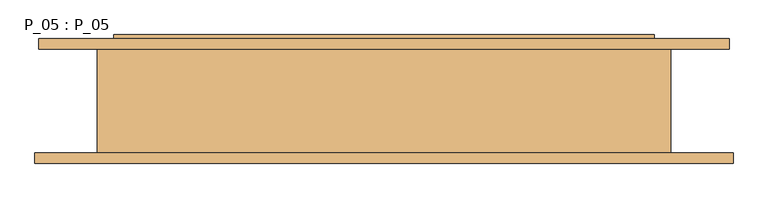
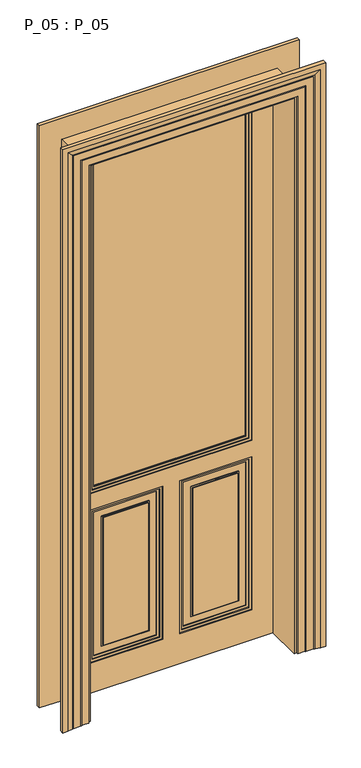
"""IFC4 building model written with IfcOpenShell, lengths in millimetres: door geometry, P_05 : P_05."""

from ifc_helpers import new_model, si_unit, frame, origin, place, context, project, spatial, polyline, outline, extrude, faceted_brep, source, transform, mapped, element, save


def p_05_p_05_a532a8a0(model_context):
    return source(origin(), model_context, "Body", "SolidModel", [
        extrude(outline(polyline([(2310.0, 330.0), (2310.0, -330.0), (860.0, -330.0), (860.0, 330.0), (2310.0, 330.0)]), holes=[polyline([(2300.0, 320.0), (870.0, 320.0), (870.0, -320.0), (2300.0, -320.0), (2300.0, 320.0)])]), frame((0.0, 72.0, 0.0), z_axis=(0.0, 1.0, 0.0), x_axis=(0.0, 0.0, 1.0)), (0.0, 0.0, 1.0), 8.0),
        extrude(outline(polyline([(790.0, -330.0), (130.0, -330.0), (130.0, -35.0), (790.0, -35.0), (790.0, -330.0)]), holes=[polyline([(780.0, -320.0), (780.0, -45.0), (140.0, -45.0), (140.0, -320.0), (780.0, -320.0)])]), frame((0.0, 72.0, 0.0), z_axis=(0.0, 1.0, 0.0), x_axis=(0.0, 0.0, 1.0)), (0.0, 0.0, 1.0), 8.0),
        extrude(outline(polyline([(130.0, 330.0), (790.0, 330.0), (790.0, 35.0), (130.0, 35.0), (130.0, 330.0)]), holes=[polyline([(780.0, 45.0), (780.0, 320.0), (140.0, 320.0), (140.0, 45.0), (780.0, 45.0)])]), frame((0.0, 72.0, 0.0), z_axis=(0.0, 1.0, 0.0), x_axis=(0.0, 0.0, 1.0)), (0.0, 0.0, 1.0), 8.0),
        extrude(outline(polyline([(0.0, 415.0), (2395.0, 415.0), (2395.0, -415.0), (0.0, -415.0), (0.0, 415.0)]), holes=[polyline([(790.0, -35.0), (130.0, -35.0), (130.0, -330.0), (790.0, -330.0), (790.0, -35.0)]), polyline([(130.0, 35.0), (790.0, 35.0), (790.0, 330.0), (130.0, 330.0), (130.0, 35.0)]), polyline([(860.0, 330.0), (860.0, -330.0), (2310.0, -330.0), (2310.0, 330.0), (860.0, 330.0)])]), frame((0.0, 68.0, 0.0), z_axis=(0.0, 1.0, 0.0), x_axis=(0.0, 0.0, 1.0)), (0.0, 0.0, 1.0), 12.0),
        extrude(outline(polyline([(860.0, 330.0), (2310.0, 330.0), (2310.0, -330.0), (860.0, -330.0), (860.0, 330.0)]), holes=[polyline([(2300.0, -320.0), (2300.0, 320.0), (870.0, 320.0), (870.0, -320.0), (2300.0, -320.0)])]), frame((0.0, 90.0, 0.0), z_axis=(0.0, 1.0, 0.0), x_axis=(0.0, 0.0, 1.0)), (0.0, 0.0, 1.0), 8.0),
        extrude(outline(polyline([(790.0, -330.0), (130.0, -330.0), (130.0, -35.0), (790.0, -35.0), (790.0, -330.0)]), holes=[polyline([(780.0, -320.0), (780.0, -45.0), (140.0, -45.0), (140.0, -320.0), (780.0, -320.0)])]), frame((0.0, 90.0, 0.0), z_axis=(0.0, 1.0, 0.0), x_axis=(0.0, 0.0, 1.0)), (0.0, 0.0, 1.0), 8.0),
        extrude(outline(polyline([(130.0, 330.0), (790.0, 330.0), (790.0, 35.0), (130.0, 35.0), (130.0, 330.0)]), holes=[polyline([(780.0, 45.0), (780.0, 320.0), (140.0, 320.0), (140.0, 45.0), (780.0, 45.0)])]), frame((0.0, 90.0, 0.0), z_axis=(0.0, 1.0, 0.0), x_axis=(0.0, 0.0, 1.0)), (0.0, 0.0, 1.0), 8.0),
        faceted_brep([(-35.0, 102.0, 790.0), (-35.0, 102.0, 130.0), (-35.0, 90.0, 130.0), (-35.0, 90.0, 790.0), (-330.0, 102.0, 130.0), (-330.0, 90.0, 130.0), (-330.0, 102.0, 790.0), (-330.0, 90.0, 790.0), (35.0, 102.0, 130.0), (35.0, 102.0, 790.0), (35.0, 90.0, 790.0), (35.0, 90.0, 130.0), (330.0, 102.0, 790.0), (330.0, 90.0, 790.0), (330.0, 102.0, 130.0), (330.0, 90.0, 130.0), (330.0, 102.0, 860.0), (-330.0, 102.0, 860.0), (-330.0, 90.0, 860.0), (330.0, 90.0, 860.0), (-330.0, 102.0, 2310.0), (-330.0, 90.0, 2310.0), (330.0, 102.0, 2310.0), (330.0, 90.0, 2310.0), (420.0, 80.0, 0.0), (420.0, 95.0, 0.0), (420.0, 95.0, 2400.0), (420.0, 80.0, 2400.0), (-420.0, 80.0, 2400.0), (-420.0, 95.0, 2400.0), (-420.0, 95.0, 0.0), (-420.0, 80.0, 0.0), (-415.0, 102.0, 0.0), (415.0, 102.0, 0.0), (415.0, 95.0, 0.0), (-415.0, 95.0, 0.0), (-415.0, 102.0, 2395.0), (415.0, 102.0, 2395.0), (-415.0, 95.0, 2395.0), (415.0, 95.0, 2395.0), (310.0, 80.0, 2290.0), (310.0, 80.0, 880.0), (-310.0, 80.0, 880.0), (-310.0, 80.0, 2290.0), (310.0, 90.0, 2290.0), (310.0, 90.0, 880.0), (-310.0, 90.0, 880.0), (-310.0, 90.0, 2290.0)], [[[0, 1, 2, 3]], [[1, 4, 5, 2]], [[4, 6, 7, 5]], [[6, 0, 3, 7]], [[8, 9, 10, 11]], [[9, 12, 13, 10]], [[12, 14, 15, 13]], [[14, 8, 11, 15]], [[16, 17, 18, 19]], [[17, 20, 21, 18]], [[22, 16, 19, 23]], [[24, 25, 26, 27]], [[28, 29, 30, 31]], [[32, 33, 34, 25, 24, 31, 30, 35]], [[33, 32, 36, 37], [0, 6, 4, 1], [8, 14, 12, 9], [16, 22, 20, 17]], [[36, 32, 35, 38]], [[33, 37, 39, 34]], [[25, 34, 39, 38, 35, 30, 29, 26]], [[20, 22, 23, 21]], [[27, 26, 29, 28]], [[37, 36, 38, 39]], [[28, 31, 24, 27], [40, 41, 42, 43]], [[41, 40, 44, 45]], [[42, 41, 45, 46]], [[43, 42, 46, 47]], [[7, 3, 2, 5]], [[11, 10, 13, 15]], [[19, 18, 21, 23], [44, 47, 46, 45]], [[40, 43, 47, 44]]]),
        faceted_brep([(530.0, 80.0, 0.0), (440.0, 80.0, 0.0), (440.0, -80.0, 0.0), (536.0, -80.0, 0.0), (536.0, -96.0, 0.0), (516.0, -96.0, 0.0), (496.0, -92.0291126, 0.0), (496.0, -91.0291126, 0.0), (491.0, -91.0291126, 0.0), (491.0, -90.0291126, 0.0), (461.0, -90.0291126, 0.0), (461.0, -89.0291126, 0.0), (456.0, -89.0291126, 0.0), (456.0, -88.0291126, 0.0), (426.0, -88.0291126, 0.0), (426.0, -80.0, 0.0), (416.0, -80.0, 0.0), (416.0, 80.0, 0.0), (426.0, 80.0, 0.0), (426.0, 88.0291126, 0.0), (456.0, 88.0291126, 0.0), (456.0, 89.0291126, 0.0), (461.0, 89.0291126, 0.0), (461.0, 90.0291126, 0.0), (485.0, 90.0291126, 0.0), (485.0, 91.0291126, 0.0), (490.0, 91.0291126, 0.0), (490.0, 92.0291126, 0.0), (510.0, 96.0, 0.0), (530.0, 96.0, 0.0), (530.0, 80.0, 2510.0), (-530.0, 80.0, 2510.0), (-530.0, 80.0, 0.0), (-440.0, 80.0, 0.0), (-440.0, 80.0, 2420.0), (440.0, 80.0, 2420.0), (440.0, -80.0, 2420.0), (-440.0, -80.0, 2420.0), (-440.0, -80.0, 0.0), (-536.0, -80.0, 0.0), (-536.0, -80.0, 2516.0), (536.0, -80.0, 2516.0), (536.0, -96.0, 2516.0), (-536.0, -96.0, 2516.0), (-536.0, -96.0, 0.0), (-516.0, -96.0, 0.0), (-516.0, -96.0, 2496.0), (516.0, -96.0, 2496.0), (496.0, -92.0291126, 2476.0), (496.0, -91.0291126, 2476.0), (-496.0, -91.0291126, 2476.0), (-496.0, -91.0291126, 0.0), (-491.0, -91.0291126, 0.0), (-491.0, -91.0291126, 2471.0), (491.0, -91.0291126, 2471.0), (491.0, -90.0291126, 2471.0), (-491.0, -90.0291126, 2471.0), (-491.0, -90.0291126, 0.0), (-461.0, -90.0291126, 0.0), (-461.0, -90.0291126, 2441.0), (461.0, -90.0291126, 2441.0), (461.0, -89.0291126, 2441.0), (-461.0, -89.0291126, 2441.0), (-461.0, -89.0291126, 0.0), (-456.0, -89.0291126, 0.0), (-456.0, -89.0291126, 2436.0), (456.0, -89.0291126, 2436.0), (456.0, -88.0291126, 2436.0), (-456.0, -88.0291126, 2436.0), (-456.0, -88.0291126, 0.0), (-426.0, -88.0291126, 0.0), (-426.0, -88.0291126, 2406.0), (426.0, -88.0291126, 2406.0), (426.0, -80.0, 2406.0), (-426.0, -80.0, 2406.0), (-426.0, -80.0, 0.0), (-416.0, -80.0, 0.0), (-416.0, -80.0, 2396.0), (416.0, -80.0, 2396.0), (416.0, 80.0, 2396.0), (-416.0, 80.0, 2396.0), (-416.0, 80.0, 0.0), (-426.0, 80.0, 0.0), (-426.0, 80.0, 2406.0), (426.0, 80.0, 2406.0), (426.0, 88.0291126, 2406.0), (-426.0, 88.0291126, 2406.0), (-426.0, 88.0291126, 0.0), (-456.0, 88.0291126, 0.0), (-456.0, 88.0291126, 2436.0), (456.0, 88.0291126, 2436.0), (456.0, 89.0291126, 2436.0), (-456.0, 89.0291126, 2436.0), (-456.0, 89.0291126, 0.0), (-461.0, 89.0291126, 0.0), (-461.0, 89.0291126, 2441.0), (461.0, 89.0291126, 2441.0), (461.0, 90.0291126, 2441.0), (-461.0, 90.0291126, 2441.0), (-461.0, 90.0291126, 0.0), (-485.0, 90.0291126, 0.0), (-485.0, 90.0291126, 2465.0), (485.0, 90.0291126, 2465.0), (485.0, 91.0291126, 2465.0), (-485.0, 91.0291126, 2465.0), (-485.0, 91.0291126, 0.0), (-490.0, 91.0291126, 0.0), (-490.0, 91.0291126, 2470.0), (490.0, 91.0291126, 2470.0), (490.0, 92.0291126, 2470.0), (510.0, 96.0, 2490.0), (-510.0, 96.0, 2490.0), (-510.0, 96.0, 0.0), (-530.0, 96.0, 0.0), (-530.0, 96.0, 2510.0), (530.0, 96.0, 2510.0), (-490.0, 92.0291126, 0.0), (-496.0, -92.0291126, 0.0), (-490.0, 92.0291126, 2470.0), (-496.0, -92.0291126, 2476.0)], [[[0, 1, 2, 3, 4, 5, 6, 7, 8, 9, 10, 11, 12, 13, 14, 15, 16, 17, 18, 19, 20, 21, 22, 23, 24, 25, 26, 27, 28, 29]], [[1, 0, 30, 31, 32, 33, 34, 35]], [[2, 1, 35, 36]], [[3, 2, 36, 37, 38, 39, 40, 41]], [[4, 3, 41, 42]], [[5, 4, 42, 43, 44, 45, 46, 47]], [[6, 5, 47, 48]], [[7, 6, 48, 49]], [[8, 7, 49, 50, 51, 52, 53, 54]], [[9, 8, 54, 55]], [[10, 9, 55, 56, 57, 58, 59, 60]], [[11, 10, 60, 61]], [[12, 11, 61, 62, 63, 64, 65, 66]], [[13, 12, 66, 67]], [[14, 13, 67, 68, 69, 70, 71, 72]], [[15, 14, 72, 73]], [[16, 15, 73, 74, 75, 76, 77, 78]], [[17, 16, 78, 79]], [[18, 17, 79, 80, 81, 82, 83, 84]], [[19, 18, 84, 85]], [[20, 19, 85, 86, 87, 88, 89, 90]], [[21, 20, 90, 91]], [[22, 21, 91, 92, 93, 94, 95, 96]], [[23, 22, 96, 97]], [[24, 23, 97, 98, 99, 100, 101, 102]], [[25, 24, 102, 103]], [[26, 25, 103, 104, 105, 106, 107, 108]], [[27, 26, 108, 109]], [[28, 27, 109, 110]], [[29, 28, 110, 111, 112, 113, 114, 115]], [[0, 29, 115, 30]], [[31, 114, 113, 32]], [[32, 113, 112, 116, 106, 105, 100, 99, 94, 93, 88, 87, 82, 81, 76, 75, 70, 69, 64, 63, 58, 57, 52, 51, 117, 45, 44, 39, 38, 33]], [[37, 34, 33, 38]], [[74, 71, 70, 75]], [[80, 77, 76, 81]], [[86, 83, 82, 87]], [[111, 118, 116, 112]], [[118, 107, 106, 116]], [[104, 101, 100, 105]], [[98, 95, 94, 99]], [[92, 89, 88, 93]], [[68, 65, 64, 69]], [[62, 59, 58, 63]], [[56, 53, 52, 57]], [[50, 119, 117, 51]], [[119, 46, 45, 117]], [[43, 40, 39, 44]], [[30, 115, 114, 31]], [[36, 35, 34, 37]], [[73, 72, 71, 74]], [[79, 78, 77, 80]], [[85, 84, 83, 86]], [[91, 90, 89, 92]], [[97, 96, 95, 98]], [[103, 102, 101, 104]], [[109, 108, 107, 118]], [[110, 109, 118, 111]], [[42, 41, 40, 43]], [[48, 47, 46, 119]], [[49, 48, 119, 50]], [[55, 54, 53, 56]], [[61, 60, 59, 62]], [[67, 66, 65, 68]]]),
        extrude(outline(polyline([(310.0, 83.0), (-310.0, 83.0), (-310.0, 87.0), (310.0, 87.0), (310.0, 83.0)])), frame((0.0, 0.0, 880.0), z_axis=(0.0, 0.0, 1.0), x_axis=(1.0, 0.0, 0.0)), (0.0, 0.0, 1.0), 1410.0),
        extrude(outline(polyline([(780.0, 45.0), (140.0, 45.0), (140.0, 320.0), (780.0, 320.0), (780.0, 45.0)]), holes=[polyline([(770.0, 55.0), (770.0, 310.0), (150.0, 310.0), (150.0, 55.0), (770.0, 55.0)])]), frame((0.0, 76.0, 0.0), z_axis=(0.0, 1.0, 0.0), x_axis=(0.0, 0.0, 1.0)), (0.0, 0.0, 1.0), 4.0),
        extrude(outline(polyline([(780.0, -320.0), (140.0, -320.0), (140.0, -45.0), (780.0, -45.0), (780.0, -320.0)]), holes=[polyline([(770.0, -310.0), (770.0, -55.0), (150.0, -55.0), (150.0, -310.0), (770.0, -310.0)])]), frame((0.0, 76.0, 0.0), z_axis=(0.0, 1.0, 0.0), x_axis=(0.0, 0.0, 1.0)), (0.0, 0.0, 1.0), 4.0),
        extrude(outline(polyline([(740.0, 85.0), (180.0, 85.0), (180.0, 280.0), (740.0, 280.0), (740.0, 85.0)]), holes=[polyline([(735.0, 90.0), (735.0, 275.0), (185.0, 275.0), (185.0, 90.0), (735.0, 90.0)])]), frame((0.0, 76.0, 0.0), z_axis=(0.0, 1.0, 0.0), x_axis=(0.0, 0.0, 1.0)), (0.0, 0.0, 1.0), 4.0),
        extrude(outline(polyline([(740.0, -280.0), (180.0, -280.0), (180.0, -85.0), (740.0, -85.0), (740.0, -280.0)]), holes=[polyline([(735.0, -275.0), (735.0, -90.0), (185.0, -90.0), (185.0, -275.0), (735.0, -275.0)])]), frame((0.0, 76.0, 0.0), z_axis=(0.0, 1.0, 0.0), x_axis=(0.0, 0.0, 1.0)), (0.0, 0.0, 1.0), 4.0),
        extrude(outline(polyline([(2300.0, 320.0), (2300.0, -320.0), (870.0, -320.0), (870.0, 320.0), (2300.0, 320.0)]), holes=[polyline([(2290.0, 310.0), (880.0, 310.0), (880.0, -310.0), (2290.0, -310.0), (2290.0, 310.0)])]), frame((0.0, 76.0, 0.0), z_axis=(0.0, 1.0, 0.0), x_axis=(0.0, 0.0, 1.0)), (0.0, 0.0, 1.0), 4.0),
        extrude(outline(polyline([(780.0, 45.0), (140.0, 45.0), (140.0, 320.0), (780.0, 320.0), (780.0, 45.0)]), holes=[polyline([(770.0, 55.0), (770.0, 310.0), (150.0, 310.0), (150.0, 55.0), (770.0, 55.0)])]), frame((0.0, 90.0, 0.0), z_axis=(0.0, 1.0, 0.0), x_axis=(0.0, 0.0, 1.0)), (0.0, 0.0, 1.0), 4.0),
        extrude(outline(polyline([(780.0, -320.0), (140.0, -320.0), (140.0, -45.0), (780.0, -45.0), (780.0, -320.0)]), holes=[polyline([(770.0, -310.0), (770.0, -55.0), (150.0, -55.0), (150.0, -310.0), (770.0, -310.0)])]), frame((0.0, 90.0, 0.0), z_axis=(0.0, 1.0, 0.0), x_axis=(0.0, 0.0, 1.0)), (0.0, 0.0, 1.0), 4.0),
        extrude(outline(polyline([(740.0, 85.0), (180.0, 85.0), (180.0, 280.0), (740.0, 280.0), (740.0, 85.0)]), holes=[polyline([(735.0, 90.0), (735.0, 275.0), (185.0, 275.0), (185.0, 90.0), (735.0, 90.0)])]), frame((0.0, 90.0, 0.0), z_axis=(0.0, 1.0, 0.0), x_axis=(0.0, 0.0, 1.0)), (0.0, 0.0, 1.0), 4.0),
        extrude(outline(polyline([(740.0, -280.0), (180.0, -280.0), (180.0, -85.0), (740.0, -85.0), (740.0, -280.0)]), holes=[polyline([(735.0, -275.0), (735.0, -90.0), (185.0, -90.0), (185.0, -275.0), (735.0, -275.0)])]), frame((0.0, 90.0, 0.0), z_axis=(0.0, 1.0, 0.0), x_axis=(0.0, 0.0, 1.0)), (0.0, 0.0, 1.0), 4.0),
        extrude(outline(polyline([(2300.0, -320.0), (870.0, -320.0), (870.0, 320.0), (2300.0, 320.0), (2300.0, -320.0)]), holes=[polyline([(2290.0, -310.0), (2290.0, 310.0), (880.0, 310.0), (880.0, -310.0), (2290.0, -310.0)])]), frame((0.0, 90.0, 0.0), z_axis=(0.0, 1.0, 0.0), x_axis=(0.0, 0.0, 1.0)), (0.0, 0.0, 1.0), 4.0),
        extrude(outline(polyline([(90.0, 80.0), (275.0, 80.0), (275.0, 72.0), (90.0, 72.0), (90.0, 80.0)])), frame((0.0, 0.0, 185.0), z_axis=(0.0, 0.0, 1.0), x_axis=(1.0, 0.0, 0.0)), (0.0, 0.0, 1.0), 550.0),
        extrude(outline(polyline([(-275.0, 80.0), (-90.0, 80.0), (-90.0, 72.0), (-275.0, 72.0), (-275.0, 80.0)])), frame((0.0, 0.0, 185.0), z_axis=(0.0, 0.0, 1.0), x_axis=(1.0, 0.0, 0.0)), (0.0, 0.0, 1.0), 550.0),
        extrude(outline(polyline([(275.0, 90.0), (90.0, 90.0), (90.0, 98.0), (275.0, 98.0), (275.0, 90.0)])), frame((0.0, 0.0, 185.0), z_axis=(0.0, 0.0, 1.0), x_axis=(1.0, 0.0, 0.0)), (0.0, 0.0, 1.0), 550.0),
        extrude(outline(polyline([(-90.0, 90.0), (-275.0, 90.0), (-275.0, 98.0), (-90.0, 98.0), (-90.0, 90.0)])), frame((0.0, 0.0, 185.0), z_axis=(0.0, 0.0, 1.0), x_axis=(1.0, 0.0, 0.0)), (0.0, 0.0, 1.0), 550.0),
    ])


if __name__ == "__main__":
    model = new_model("IFC4")
    model_context = context("Model", 3, world=origin())
    ifc_project = project(units=[si_unit("LENGTHUNIT", "METRE", prefix="MILLI")], contexts=[model_context])
    site = spatial("IfcSite", under=ifc_project)
    building = spatial("IfcBuilding", under=site)
    placement = place(None, origin())
    p_05_p_05_shape = p_05_p_05_a532a8a0(model_context)
    element("IfcDoor", 1, ObjectType="P_05 : P_05", at=placement, inside=building, context=model_context, shape_type="MappedRepresentation", body=[
        mapped(p_05_p_05_shape, transform((0.0, 0.0, 0.0), x_axis=(1.0, 0.0, 0.0), y_axis=(0.0, 1.0, 0.0), z_axis=(0.0, 0.0, 1.0))),
    ])
    save(model, "model.ifc")
